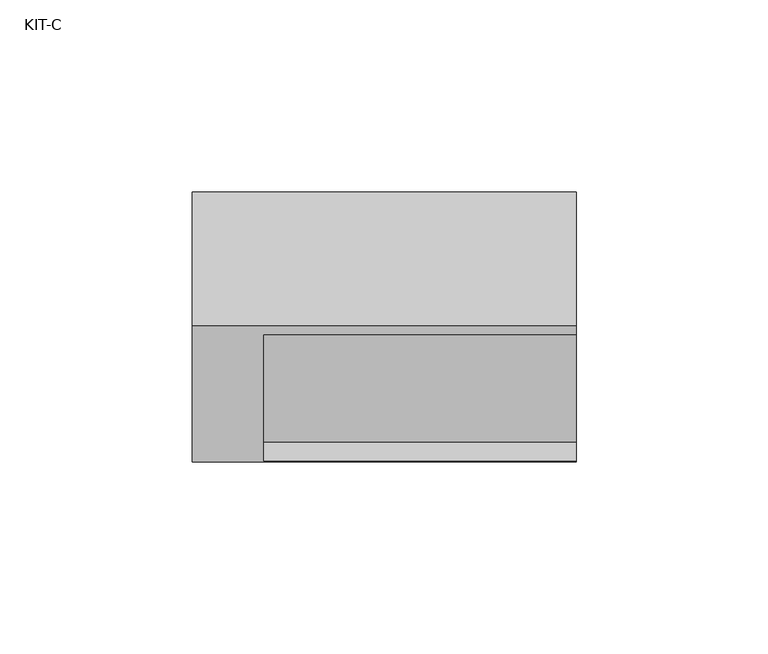
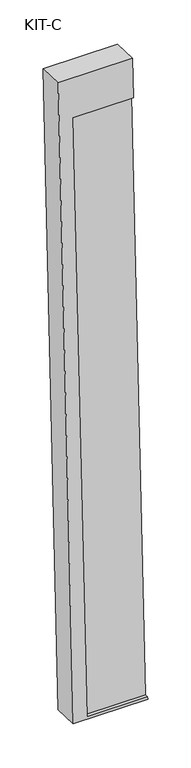
"""IFC4 building model written with IfcOpenShell, lengths in millimetres: plate geometry, KIT-C."""

import ifcopenshell
import ifcopenshell.guid

model = None  # the IFC model being written
_history = None  # IfcOwnerHistory: only IFC2X3 demands one
_inside = {}  # id of a spatial element -> (the spatial element, [elements in it])
_under = {}  # id of a project, library or spatial element -> (it, [spatial elements below it])
_declared = {}  # id of a project -> (the project, [libraries it declares])
_typed = {}  # id of a type object -> (the type object, [elements of that type])
_made_of = {}  # id of a material, layer set ... -> (it, [elements and type objects made of it])


def new_model(schema):
    """Start an empty IFC model of exactly this schema.

    Asked for "IFC4X3", IfcOpenShell would pick the latest addendum, in which some entities
    have other attributes; the version numbers below select the first issue.
    IFC2X3 requires an IfcOwnerHistory on every rooted entity: one is made here for all.
    """
    global model, _history
    if schema == "IFC4X3":
        model = ifcopenshell.file(schema_version=(4, 3, 0, 0))
    else:
        model = ifcopenshell.file(schema=schema)
    _inside.clear()
    _under.clear()
    _declared.clear()
    _typed.clear()
    _made_of.clear()
    _history = None
    if model.schema == "IFC2X3":
        org = make("IfcOrganization", Name="unknown")
        user = make(
            "IfcPersonAndOrganization",
            ThePerson=make("IfcPerson", FamilyName="unknown"),
            TheOrganization=org,
        )
        app = make(
            "IfcApplication",
            ApplicationDeveloper=org,
            Version="unknown",
            ApplicationFullName="unknown",
            ApplicationIdentifier="unknown",
        )
        _history = make(
            "IfcOwnerHistory",
            OwningUser=user,
            OwningApplication=app,
            ChangeAction="ADDED",
            CreationDate=0,
        )
    return model


def make(cls, **values):
    """One entity of the class cls with the attributes given. An attribute that is None is left unset."""
    return model.create_entity(
        cls, **{name: value for name, value in values.items() if value is not None}
    )


def rooted(cls, **values):
    """An entity with a GlobalId (a new one), such as an element, a storey or a relation."""
    return make(cls, GlobalId=ifcopenshell.guid.new(), OwnerHistory=_history, **values)


def si_unit(unit_type, name, prefix=None):
    """IfcSIUnit, for example si_unit("LENGTHUNIT", "METRE", prefix="MILLI")."""
    return make("IfcSIUnit", UnitType=unit_type, Prefix=prefix, Name=name)


def assignment(units):
    """IfcUnitAssignment: the units of a project."""
    return None if units is None else make("IfcUnitAssignment", Units=units)


def point(xyz):
    """IfcCartesianPoint."""
    return None if xyz is None else make("IfcCartesianPoint", Coordinates=xyz)


def direction(xyz):
    """IfcDirection."""
    return None if xyz is None else make("IfcDirection", DirectionRatios=xyz)


def frame(location, z_axis=None, x_axis=None):
    """IfcAxis2Placement3D, a coordinate frame: its origin and axes. An axis left out is left unset."""
    return make(
        "IfcAxis2Placement3D",
        Location=point(location),
        Axis=direction(z_axis),
        RefDirection=direction(x_axis),
    )


def origin():
    """The frame at (0, 0, 0) with its axes left unset."""
    return frame((0.0, 0.0, 0.0))


def place(relative_to, where):
    """IfcLocalPlacement: puts the frame where relative to a parent placement (None: the world)."""
    return make(
        "IfcLocalPlacement", PlacementRelTo=relative_to, RelativePlacement=where
    )


def context(
    kind, dimensions, precision=None, world=None, true_north=None, identifier=None
):
    """IfcGeometricRepresentationContext, for example the 3D "Model" context."""
    return make(
        "IfcGeometricRepresentationContext",
        ContextIdentifier=identifier,
        ContextType=kind,
        CoordinateSpaceDimension=dimensions,
        Precision=precision,
        WorldCoordinateSystem=world,
        TrueNorth=true_north,
    )


def project(units=None, contexts=None):
    """IfcProject with its units and contexts."""
    return rooted(
        "IfcProject",
        Name="project",
        RepresentationContexts=contexts,
        UnitsInContext=assignment(units),
    )


def spatial(cls, under=None, at=None, **own):
    """A site, building, storey or space (cls), placed at a placement, below another one or the project."""
    s = rooted(cls, ObjectPlacement=at, **own)
    if under is not None:
        _under.setdefault(under.id(), (under, []))[1].append(s)
    return s


def polyline(points):
    """IfcPolyline through the points."""
    return make("IfcPolyline", Points=[point(p) for p in points])


def outline(outer, holes=None, kind="AREA"):
    """IfcArbitraryClosedProfileDef: a profile drawn as a closed curve; with holes, ...WithVoids."""
    if holes is None:
        return make("IfcArbitraryClosedProfileDef", ProfileType=kind, OuterCurve=outer)
    return make(
        "IfcArbitraryProfileDefWithVoids",
        ProfileType=kind,
        OuterCurve=outer,
        InnerCurves=holes,
    )


def extrude(swept, where, along, depth):
    """IfcExtrudedAreaSolid: the profile swept, set in the frame where, extruded along a direction by depth."""
    return make(
        "IfcExtrudedAreaSolid",
        SweptArea=swept,
        Position=where,
        ExtrudedDirection=direction(along),
        Depth=depth,
    )


def shape(context_of_items, identifier, shape_type, items):
    """IfcShapeRepresentation: the items that make up one representation, for example the "Body"."""
    return make(
        "IfcShapeRepresentation",
        ContextOfItems=context_of_items,
        RepresentationIdentifier=identifier,
        RepresentationType=shape_type,
        Items=items,
    )


def source(mapping_origin, context_of_items, identifier, shape_type, items):
    """IfcRepresentationMap: a shape defined once, which mapped items show again and again."""
    return make(
        "IfcRepresentationMap",
        MappingOrigin=mapping_origin,
        MappedRepresentation=shape(context_of_items, identifier, shape_type, items),
    )


def transform(
    local_origin,
    x_axis=None,
    y_axis=None,
    z_axis=None,
    scale=None,
    scale2=None,
    scale3=None,
    uniform=True,
):
    """IfcCartesianTransformationOperator3D, or its non-uniform kind. x_axis, y_axis, z_axis: its Axis1, 2, 3."""
    if uniform:
        return make(
            "IfcCartesianTransformationOperator3D",
            Axis1=direction(x_axis),
            Axis2=direction(y_axis),
            LocalOrigin=point(local_origin),
            Scale=scale,
            Axis3=direction(z_axis),
        )
    return make(
        "IfcCartesianTransformationOperator3DnonUniform",
        Axis1=direction(x_axis),
        Axis2=direction(y_axis),
        LocalOrigin=point(local_origin),
        Scale=scale,
        Axis3=direction(z_axis),
        Scale2=scale2,
        Scale3=scale3,
    )


def mapped(mapping_source, mapping_target):
    """IfcMappedItem: shows the shape of a source again, moved by a transform."""
    return make(
        "IfcMappedItem", MappingSource=mapping_source, MappingTarget=mapping_target
    )


def made_of(thing, what):
    """Note that an element or type object is made of a material, layer set ...; save() writes the relation."""
    if what is not None:
        _made_of.setdefault(what.id(), (what, []))[1].append(thing)
    return thing


def element(
    cls,
    number,
    at=None,
    inside=None,
    cuts=None,
    type_object=None,
    material=None,
    context=None,
    identifier="Body",
    shape_type=None,
    held_by="IfcProductDefinitionShape",
    body=None,
    shapes=None,
    **own,
):
    """One element of the class cls, such as IfcWall. Its Tag is "e" and its number.

    at: its placement. inside: the storey or other place that contains it. cuts: it is an
    opening in that element (IfcRelVoidsElement). A single representation is given by context,
    identifier, shape_type and body (its items); several are given by shapes. held_by: the class
    of the entity that holds the representations. save() writes the other relations.
    """
    e = rooted(cls, Tag="e%d" % number, ObjectPlacement=at, **own)
    if body is not None:
        shapes = [shape(context, identifier, shape_type, body)]
    if shapes is not None:
        e.Representation = make(held_by, Representations=shapes)
    if inside is not None:
        _inside.setdefault(inside.id(), (inside, []))[1].append(e)
    if cuts is not None:
        rooted(
            "IfcRelVoidsElement", RelatingBuildingElement=cuts, RelatedOpeningElement=e
        )
    if type_object is not None:
        _typed.setdefault(type_object.id(), (type_object, []))[1].append(e)
    return made_of(e, material)


def aggregate(whole, parts):
    """IfcRelAggregates: a whole, such as a stair, and the parts it consists of."""
    return rooted("IfcRelAggregates", RelatingObject=whole, RelatedObjects=parts)


def save(model, path):
    """Write the relations noted so far, then the file.

    IfcRelAggregates (storeys below a building ...), IfcRelContainedInSpatialStructure (elements
    in a storey), IfcRelDefinesByType, IfcRelAssociatesMaterial and IfcRelDeclares: one each for
    every whole, place, type object, material and project.
    """
    for whole, parts in _under.values():
        aggregate(whole, parts)
    for where, things in _inside.values():
        rooted(
            "IfcRelContainedInSpatialStructure",
            RelatedElements=things,
            RelatingStructure=where,
        )
    for kind, things in _typed.values():
        rooted("IfcRelDefinesByType", RelatedObjects=things, RelatingType=kind)
    for what, things in _made_of.values():
        rooted("IfcRelAssociatesMaterial", RelatedObjects=things, RelatingMaterial=what)
    for by, libraries in _declared.values():
        rooted("IfcRelDeclares", RelatingContext=by, RelatedDefinitions=libraries)
    model.write(path)


def kit_c_adf8c127(model_context):
    return source(origin(), model_context, "Body", "SweptSolid", [
        extrude(outline(polyline([(0.0, 0.0), (27.4505712, 0.0), (27.4505712, -81.5), (0.0, -81.5), (0.0, 0.0)])), frame((-877.0, -68.9130408, -49.1358985), z_axis=(0.0, 0.03973683410233642, 0.9992101801000245), x_axis=(0.0, 0.9992101801000245, -0.03973683410233642)), (0.0, 0.0, 1.0), 828.6315929),
        extrude(outline(polyline([(-887.1, 0.0), (0.0, 0.0), (0.0, -100.0), (-55.0000001, -100.0), (-55.0000001, -18.5), (-883.6315929, -18.5), (-883.6315929, -100.0), (-887.1, -100.0), (-887.1, 0.0)])), frame((-895.5, -3.8240134, 832.6056796), z_axis=(0.0, -0.9992101801000246, 0.039736834102334216), x_axis=(0.0, 0.039736834102334216, 0.9992101801000246)), (0.0, 0.0, 1.0), 35.0),
    ])


if __name__ == "__main__":
    model = new_model("IFC4")
    model_context = context("Model", 3, world=origin())
    ifc_project = project(units=[si_unit("LENGTHUNIT", "METRE", prefix="MILLI")], contexts=[model_context])
    site = spatial("IfcSite", under=ifc_project)
    building = spatial("IfcBuilding", under=site)
    placement = place(None, origin())
    kit_c_shape = kit_c_adf8c127(model_context)
    element("IfcPlate", 1, ObjectType="KIT-C", at=placement, inside=building, context=model_context, shape_type="MappedRepresentation", body=[
        mapped(kit_c_shape, transform((0.0, 0.0, 0.0), x_axis=(1.0, 0.0, 0.0), y_axis=(0.0, 1.0, 0.0), z_axis=(0.0, 0.0, 1.0))),
    ])
    save(model, "model.ifc")
